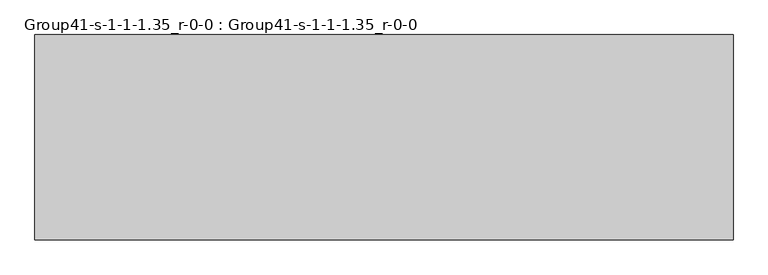
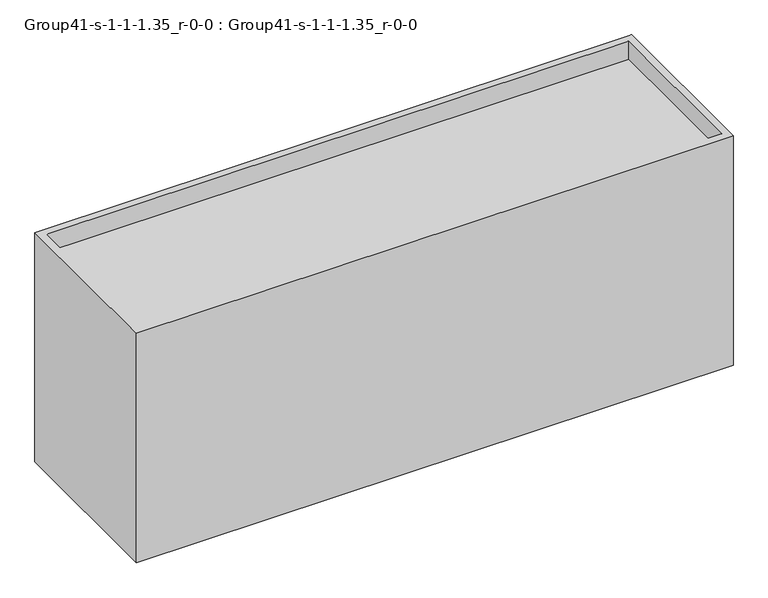
"""IFC4 building model written with IfcOpenShell, lengths in millimetres: geographic element geometry, Group41-s-1-1-1.35_r-0-0 : Group41-s-1-1-1.35_r-0-0."""

from ifc_helpers import new_model, si_unit, origin, place, context, project, spatial, triangles, source, transform, mapped, element, save


def group41_s_1_1_1_35_r_0_0_group41_s_1_1_1_35_r_0_0_52e42345(model_context):
    return source(origin(), model_context, "Body", "Tessellation", [
        triangles([(16976.7253876, 7585.0748062, 0.0), (-8792.4749451, 0.0, 0.0), (-8792.4749451, 7585.0748062, 0.0), (16976.7253876, 0.0, 0.0), (-8792.4749451, 7585.0748062, 10472.8549347), (16976.7253876, 7585.0748062, 10472.8549347), (-8792.4749451, 0.0, 10472.8549347), (-8487.6749451, 7280.2748062, 9649.8952835), (-8487.6749451, 304.8, 10472.8549347), (-8487.6749451, 304.8, 9649.8952835), (-8487.6749451, 7280.2748062, 10472.8549347), (16671.9253876, 7280.2748062, 10472.8549347), (16671.9253876, 304.8, 9649.8952835), (16671.9253876, 304.8, 10472.8549347), (16671.9253876, 7280.2748062, 9649.8952835), (16976.7253876, 0.0, 10472.8549347)], [[1, 2, 3], [2, 1, 4], [5, 1, 3], [1, 5, 6], [7, 3, 2], [3, 7, 5], [8, 9, 10], [9, 8, 11], [12, 13, 14], [13, 12, 15], [9, 13, 10], [13, 9, 14], [1, 16, 4], [16, 1, 6], [12, 8, 15], [8, 12, 11], [13, 8, 10], [8, 13, 15], [7, 9, 5], [9, 7, 16], [9, 16, 14], [14, 16, 12], [5, 11, 6], [11, 5, 9], [6, 11, 12], [6, 12, 16], [4, 7, 2], [7, 4, 16]]),
    ])


if __name__ == "__main__":
    model = new_model("IFC4")
    model_context = context("Model", 3, world=origin())
    ifc_project = project(units=[si_unit("LENGTHUNIT", "METRE", prefix="MILLI")], contexts=[model_context])
    site = spatial("IfcSite", under=ifc_project)
    building = spatial("IfcBuilding", under=site)
    placement = place(None, origin())
    group41_s_1_1_1_35_r_0_0_group41_s_1_1_1_35_r_0_0_shape = group41_s_1_1_1_35_r_0_0_group41_s_1_1_1_35_r_0_0_52e42345(model_context)
    element("IfcGeographicElement", 1, ObjectType="Group41-s-1-1-1.35_r-0-0 : Group41-s-1-1-1.35_r-0-0", at=placement, inside=building, context=model_context, shape_type="MappedRepresentation", body=[
        mapped(group41_s_1_1_1_35_r_0_0_group41_s_1_1_1_35_r_0_0_shape, transform((0.0, 0.0, 0.0), x_axis=(1.0, 0.0, 0.0), y_axis=(0.0, 1.0, 0.0), z_axis=(0.0, 0.0, 1.0))),
    ])
    save(model, "model.ifc")
